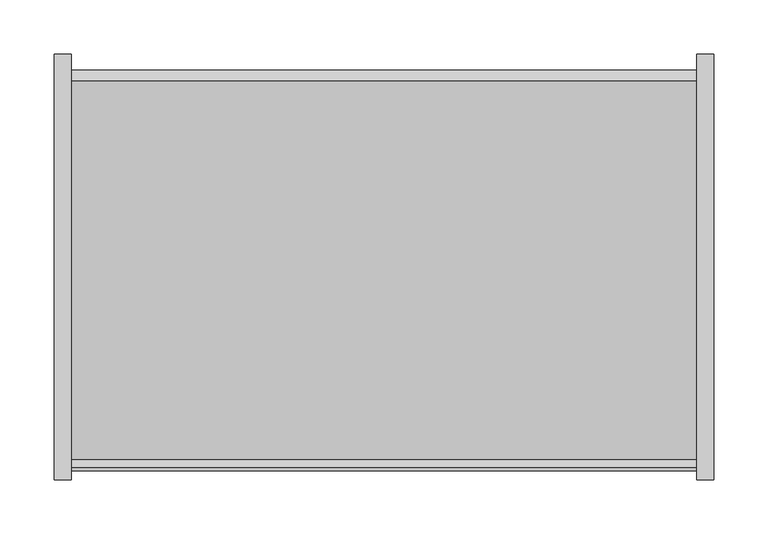
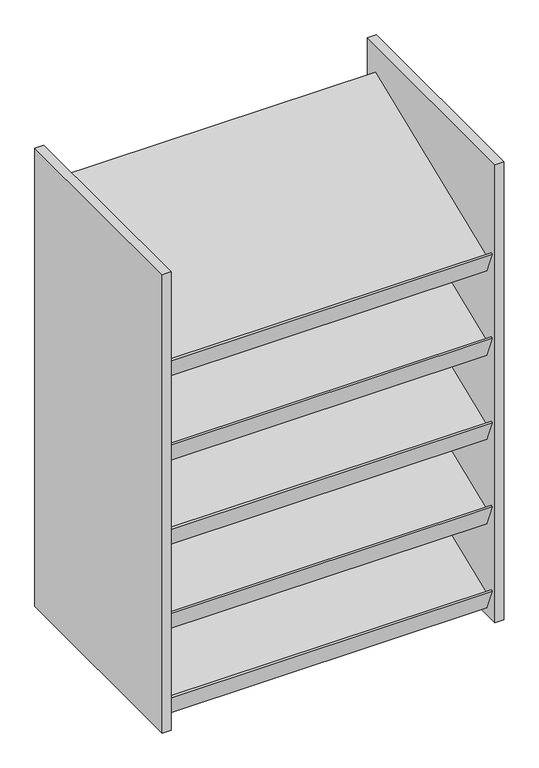
"""IFC4 building model written with IfcOpenShell, lengths in millimetres: furniture geometry."""

import ifcopenshell
import ifcopenshell.guid

model = None  # the IFC model being written
_history = None  # IfcOwnerHistory: only IFC2X3 demands one
_inside = {}  # id of a spatial element -> (the spatial element, [elements in it])
_under = {}  # id of a project, library or spatial element -> (it, [spatial elements below it])
_declared = {}  # id of a project -> (the project, [libraries it declares])
_typed = {}  # id of a type object -> (the type object, [elements of that type])
_made_of = {}  # id of a material, layer set ... -> (it, [elements and type objects made of it])


def new_model(schema):
    """Start an empty IFC model of exactly this schema.

    Asked for "IFC4X3", IfcOpenShell would pick the latest addendum, in which some entities
    have other attributes; the version numbers below select the first issue.
    IFC2X3 requires an IfcOwnerHistory on every rooted entity: one is made here for all.
    """
    global model, _history
    if schema == "IFC4X3":
        model = ifcopenshell.file(schema_version=(4, 3, 0, 0))
    else:
        model = ifcopenshell.file(schema=schema)
    _inside.clear()
    _under.clear()
    _declared.clear()
    _typed.clear()
    _made_of.clear()
    _history = None
    if model.schema == "IFC2X3":
        org = make("IfcOrganization", Name="unknown")
        user = make(
            "IfcPersonAndOrganization",
            ThePerson=make("IfcPerson", FamilyName="unknown"),
            TheOrganization=org,
        )
        app = make(
            "IfcApplication",
            ApplicationDeveloper=org,
            Version="unknown",
            ApplicationFullName="unknown",
            ApplicationIdentifier="unknown",
        )
        _history = make(
            "IfcOwnerHistory",
            OwningUser=user,
            OwningApplication=app,
            ChangeAction="ADDED",
            CreationDate=0,
        )
    return model


def make(cls, **values):
    """One entity of the class cls with the attributes given. An attribute that is None is left unset."""
    return model.create_entity(
        cls, **{name: value for name, value in values.items() if value is not None}
    )


def rooted(cls, **values):
    """An entity with a GlobalId (a new one), such as an element, a storey or a relation."""
    return make(cls, GlobalId=ifcopenshell.guid.new(), OwnerHistory=_history, **values)


def si_unit(unit_type, name, prefix=None):
    """IfcSIUnit, for example si_unit("LENGTHUNIT", "METRE", prefix="MILLI")."""
    return make("IfcSIUnit", UnitType=unit_type, Prefix=prefix, Name=name)


def assignment(units):
    """IfcUnitAssignment: the units of a project."""
    return None if units is None else make("IfcUnitAssignment", Units=units)


def point(xyz):
    """IfcCartesianPoint."""
    return None if xyz is None else make("IfcCartesianPoint", Coordinates=xyz)


def direction(xyz):
    """IfcDirection."""
    return None if xyz is None else make("IfcDirection", DirectionRatios=xyz)


def frame(location, z_axis=None, x_axis=None):
    """IfcAxis2Placement3D, a coordinate frame: its origin and axes. An axis left out is left unset."""
    return make(
        "IfcAxis2Placement3D",
        Location=point(location),
        Axis=direction(z_axis),
        RefDirection=direction(x_axis),
    )


def origin():
    """The frame at (0, 0, 0) with its axes left unset."""
    return frame((0.0, 0.0, 0.0))


def place(relative_to, where):
    """IfcLocalPlacement: puts the frame where relative to a parent placement (None: the world)."""
    return make(
        "IfcLocalPlacement", PlacementRelTo=relative_to, RelativePlacement=where
    )


def context(
    kind, dimensions, precision=None, world=None, true_north=None, identifier=None
):
    """IfcGeometricRepresentationContext, for example the 3D "Model" context."""
    return make(
        "IfcGeometricRepresentationContext",
        ContextIdentifier=identifier,
        ContextType=kind,
        CoordinateSpaceDimension=dimensions,
        Precision=precision,
        WorldCoordinateSystem=world,
        TrueNorth=true_north,
    )


def project(units=None, contexts=None):
    """IfcProject with its units and contexts."""
    return rooted(
        "IfcProject",
        Name="project",
        RepresentationContexts=contexts,
        UnitsInContext=assignment(units),
    )


def spatial(cls, under=None, at=None, **own):
    """A site, building, storey or space (cls), placed at a placement, below another one or the project."""
    s = rooted(cls, ObjectPlacement=at, **own)
    if under is not None:
        _under.setdefault(under.id(), (under, []))[1].append(s)
    return s


def polyline(points):
    """IfcPolyline through the points."""
    return make("IfcPolyline", Points=[point(p) for p in points])


def outline(outer, holes=None, kind="AREA"):
    """IfcArbitraryClosedProfileDef: a profile drawn as a closed curve; with holes, ...WithVoids."""
    if holes is None:
        return make("IfcArbitraryClosedProfileDef", ProfileType=kind, OuterCurve=outer)
    return make(
        "IfcArbitraryProfileDefWithVoids",
        ProfileType=kind,
        OuterCurve=outer,
        InnerCurves=holes,
    )


def extrude(swept, where, along, depth):
    """IfcExtrudedAreaSolid: the profile swept, set in the frame where, extruded along a direction by depth."""
    return make(
        "IfcExtrudedAreaSolid",
        SweptArea=swept,
        Position=where,
        ExtrudedDirection=direction(along),
        Depth=depth,
    )


def shape(context_of_items, identifier, shape_type, items):
    """IfcShapeRepresentation: the items that make up one representation, for example the "Body"."""
    return make(
        "IfcShapeRepresentation",
        ContextOfItems=context_of_items,
        RepresentationIdentifier=identifier,
        RepresentationType=shape_type,
        Items=items,
    )


def source(mapping_origin, context_of_items, identifier, shape_type, items):
    """IfcRepresentationMap: a shape defined once, which mapped items show again and again."""
    return make(
        "IfcRepresentationMap",
        MappingOrigin=mapping_origin,
        MappedRepresentation=shape(context_of_items, identifier, shape_type, items),
    )


def transform(
    local_origin,
    x_axis=None,
    y_axis=None,
    z_axis=None,
    scale=None,
    scale2=None,
    scale3=None,
    uniform=True,
):
    """IfcCartesianTransformationOperator3D, or its non-uniform kind. x_axis, y_axis, z_axis: its Axis1, 2, 3."""
    if uniform:
        return make(
            "IfcCartesianTransformationOperator3D",
            Axis1=direction(x_axis),
            Axis2=direction(y_axis),
            LocalOrigin=point(local_origin),
            Scale=scale,
            Axis3=direction(z_axis),
        )
    return make(
        "IfcCartesianTransformationOperator3DnonUniform",
        Axis1=direction(x_axis),
        Axis2=direction(y_axis),
        LocalOrigin=point(local_origin),
        Scale=scale,
        Axis3=direction(z_axis),
        Scale2=scale2,
        Scale3=scale3,
    )


def mapped(mapping_source, mapping_target):
    """IfcMappedItem: shows the shape of a source again, moved by a transform."""
    return make(
        "IfcMappedItem", MappingSource=mapping_source, MappingTarget=mapping_target
    )


def made_of(thing, what):
    """Note that an element or type object is made of a material, layer set ...; save() writes the relation."""
    if what is not None:
        _made_of.setdefault(what.id(), (what, []))[1].append(thing)
    return thing


def element(
    cls,
    number,
    at=None,
    inside=None,
    cuts=None,
    type_object=None,
    material=None,
    context=None,
    identifier="Body",
    shape_type=None,
    held_by="IfcProductDefinitionShape",
    body=None,
    shapes=None,
    **own,
):
    """One element of the class cls, such as IfcWall. Its Tag is "e" and its number.

    at: its placement. inside: the storey or other place that contains it. cuts: it is an
    opening in that element (IfcRelVoidsElement). A single representation is given by context,
    identifier, shape_type and body (its items); several are given by shapes. held_by: the class
    of the entity that holds the representations. save() writes the other relations.
    """
    e = rooted(cls, Tag="e%d" % number, ObjectPlacement=at, **own)
    if body is not None:
        shapes = [shape(context, identifier, shape_type, body)]
    if shapes is not None:
        e.Representation = make(held_by, Representations=shapes)
    if inside is not None:
        _inside.setdefault(inside.id(), (inside, []))[1].append(e)
    if cuts is not None:
        rooted(
            "IfcRelVoidsElement", RelatingBuildingElement=cuts, RelatedOpeningElement=e
        )
    if type_object is not None:
        _typed.setdefault(type_object.id(), (type_object, []))[1].append(e)
    return made_of(e, material)


def aggregate(whole, parts):
    """IfcRelAggregates: a whole, such as a stair, and the parts it consists of."""
    return rooted("IfcRelAggregates", RelatingObject=whole, RelatedObjects=parts)


def save(model, path):
    """Write the relations noted so far, then the file.

    IfcRelAggregates (storeys below a building ...), IfcRelContainedInSpatialStructure (elements
    in a storey), IfcRelDefinesByType, IfcRelAssociatesMaterial and IfcRelDeclares: one each for
    every whole, place, type object, material and project.
    """
    for whole, parts in _under.values():
        aggregate(whole, parts)
    for where, things in _inside.values():
        rooted(
            "IfcRelContainedInSpatialStructure",
            RelatedElements=things,
            RelatingStructure=where,
        )
    for kind, things in _typed.values():
        rooted("IfcRelDefinesByType", RelatedObjects=things, RelatingType=kind)
    for what, things in _made_of.values():
        rooted("IfcRelAssociatesMaterial", RelatedObjects=things, RelatingMaterial=what)
    for by, libraries in _declared.values():
        rooted("IfcRelDeclares", RelatingContext=by, RelatedDefinitions=libraries)
    model.write(path)


def furniture_ee2ff327(model_context):
    return source(origin(), model_context, "Body", "SweptSolid", [
        extrude(outline(polyline([(-180.975, 1657.35), (-197.8336902, 1699.0767226), (-194.8898815, 1700.2660985), (-187.5461987, 1682.0898458), (162.7670411, 1823.625582), (172.2820486, 1800.0751121), (-180.975, 1657.35)])), frame((-288.925, 0.0, 0.0), z_axis=(1.0, 0.0, 0.0), x_axis=(0.0, 1.0, 0.0)), (0.0, 0.0, 1.0), 577.85),
        extrude(outline(polyline([(-180.975, 1816.1), (-197.8336902, 1857.8267226), (-194.8898815, 1859.0160985), (-187.5461987, 1840.8398458), (162.7670411, 1982.375582), (172.2820486, 1958.8251121), (-180.975, 1816.1)])), frame((-288.925, 0.0, 0.0), z_axis=(1.0, 0.0, 0.0), x_axis=(0.0, 1.0, 0.0)), (0.0, 0.0, 1.0), 577.85),
        extrude(outline(polyline([(-180.975, 1498.6), (-197.8336902, 1540.3267226), (-194.8898815, 1541.5160985), (-187.5461987, 1523.3398458), (162.7670411, 1664.875582), (172.2820486, 1641.3251121), (-180.975, 1498.6)])), frame((-288.925, 0.0, 0.0), z_axis=(1.0, 0.0, 0.0), x_axis=(0.0, 1.0, 0.0)), (0.0, 0.0, 1.0), 577.85),
        extrude(outline(polyline([(-180.975, 1339.85), (-197.8336902, 1381.5767226), (-194.8898815, 1382.7660985), (-187.5461987, 1364.5898458), (162.7670411, 1506.125582), (172.2820486, 1482.5751121), (-180.975, 1339.85)])), frame((-288.925, 0.0, 0.0), z_axis=(1.0, 0.0, 0.0), x_axis=(0.0, 1.0, 0.0)), (0.0, 0.0, 1.0), 577.85),
        extrude(outline(polyline([(-180.975, 1181.1), (-197.8336902, 1222.8267226), (-194.8898815, 1224.0160985), (-187.5461987, 1205.8398458), (162.7670411, 1347.375582), (172.2820486, 1323.8251121), (-180.975, 1181.1)])), frame((-288.925, 0.0, 0.0), z_axis=(1.0, 0.0, 0.0), x_axis=(0.0, 1.0, 0.0)), (0.0, 0.0, 1.0), 577.85),
        extrude(outline(polyline([(-288.925, 187.325), (-288.925, -206.375), (-304.8, -206.375), (-304.8, 187.325), (-288.925, 187.325)])), frame((0.0, 0.0, 1168.4), z_axis=(0.0, 0.0, 1.0), x_axis=(1.0, 0.0, 0.0)), (0.0, 0.0, 1.0), 863.6),
        extrude(outline(polyline([(304.8, 187.325), (304.8, -206.375), (288.925, -206.375), (288.925, 187.325), (304.8, 187.325)])), frame((0.0, 0.0, 1168.4), z_axis=(0.0, 0.0, 1.0), x_axis=(1.0, 0.0, 0.0)), (0.0, 0.0, 1.0), 863.6),
    ])


if __name__ == "__main__":
    model = new_model("IFC4")
    model_context = context("Model", 3, world=origin())
    ifc_project = project(units=[si_unit("LENGTHUNIT", "METRE", prefix="MILLI")], contexts=[model_context])
    site = spatial("IfcSite", under=ifc_project)
    building = spatial("IfcBuilding", under=site)
    placement = place(None, origin())
    furniture_shape = furniture_ee2ff327(model_context)
    element("IfcFurniture", 1, at=placement, inside=building, context=model_context, shape_type="MappedRepresentation", body=[
        mapped(furniture_shape, transform((0.0, 0.0, 0.0), x_axis=(1.0, 0.0, 0.0), y_axis=(0.0, 1.0, 0.0), z_axis=(0.0, 0.0, 1.0))),
    ])
    save(model, "model.ifc")
